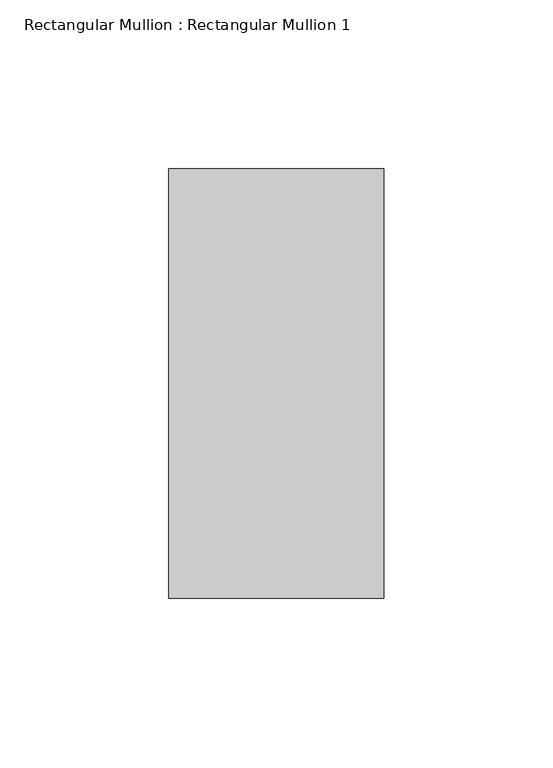
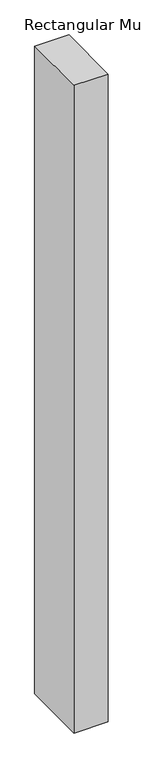
"""IFC4 building model written with IfcOpenShell, lengths in millimetres: member geometry, Rectangular Mullion : Rectangular Mullion 1."""

from ifc_helpers import new_model, si_unit, frame, origin, place, context, project, spatial, polyline, outline, extrude, source, transform, mapped, element, save


def rectangular_mullion_rectangular_mullion_1_cc149b42(model_context):
    return source(origin(), model_context, "Body", "SweptSolid", [
        extrude(outline(polyline([(0.0, 63.5), (0.0, -63.5), (-63.5, -63.5), (-63.5, 63.5), (0.0, 63.5)])), frame((0.0, 0.0, -1273.175), z_axis=(0.0, 0.0, 1.0), x_axis=(1.0, 0.0, 0.0)), (0.0, 0.0, 1.0), 1273.175),
    ])


if __name__ == "__main__":
    model = new_model("IFC4")
    model_context = context("Model", 3, world=origin())
    ifc_project = project(units=[si_unit("LENGTHUNIT", "METRE", prefix="MILLI")], contexts=[model_context])
    site = spatial("IfcSite", under=ifc_project)
    building = spatial("IfcBuilding", under=site)
    placement = place(None, origin())
    rectangular_mullion_rectangular_mullion_1_shape = rectangular_mullion_rectangular_mullion_1_cc149b42(model_context)
    element("IfcMember", 1, ObjectType="Rectangular Mullion : Rectangular Mullion 1", at=placement, inside=building, context=model_context, shape_type="MappedRepresentation", body=[
        mapped(rectangular_mullion_rectangular_mullion_1_shape, transform((0.0, 0.0, 0.0), x_axis=(1.0, 0.0, 0.0), y_axis=(0.0, 1.0, 0.0), z_axis=(0.0, 0.0, 1.0))),
    ])
    save(model, "model.ifc")
